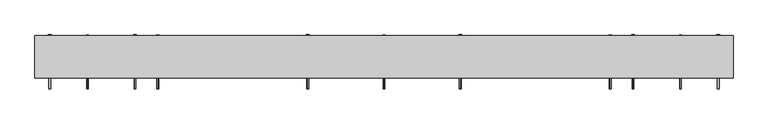
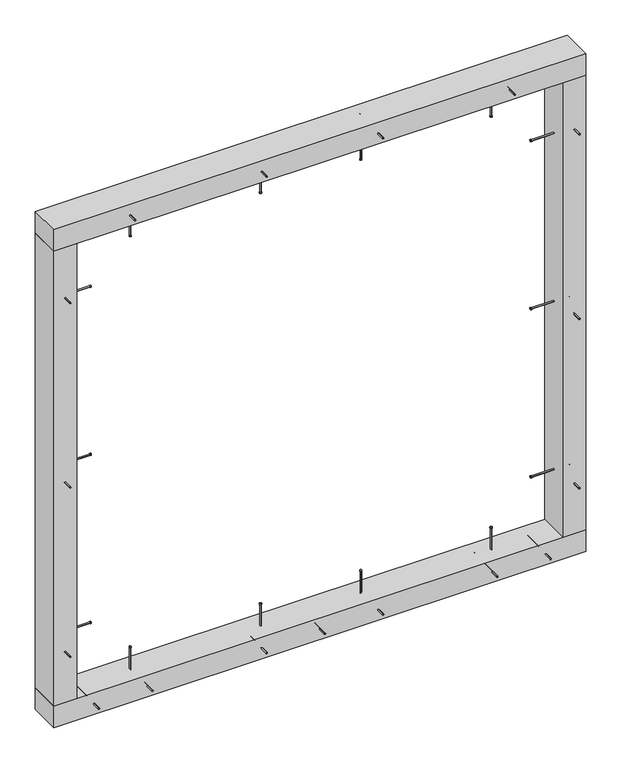
"""IFC4 building model written with IfcOpenShell, lengths in millimetres: proxy geometry."""

from ifc_helpers import new_model, si_unit, point, frame, frame_2d, origin, origin_with_axes, place, context, project, spatial, polyline, circle_curve, trimmed, segment, composite_curve, outline, extrude, source, transform, mapped, element, save


def generic_models_a547f7b6(model_context):
    return source(origin(), model_context, "Body", "SweptSolid", [
        extrude(outline(composite_curve([segment(trimmed(circle_curve(frame_2d((-550.0, 215.0)), 2.4700592), [point((-550.0, 212.5299408))], [point((-550.0, 217.4700592))], False, "CARTESIAN"), True, "CONTINUOUS"), segment(trimmed(circle_curve(frame_2d((-550.0, 215.0)), 2.4700592), [point((-550.0, 217.4700592))], [point((-550.0, 212.5299408))], False, "CARTESIAN"), True, "CONTINUOUS")], self_intersect=False)), frame((0.0, 0.0, 1800.0), z_axis=(0.0, 0.0, 1.0), x_axis=(1.0, 0.0, 0.0)), (0.0, 0.0, 1.0), 145.0),
        extrude(outline(composite_curve([segment(trimmed(circle_curve(frame_2d((-550.0, 215.0)), 3.8), [point((-550.0, 211.2))], [point((-550.0, 218.8))], False, "CARTESIAN"), True, "CONTINUOUS"), segment(trimmed(circle_curve(frame_2d((-550.0, 215.0)), 3.8), [point((-550.0, 218.8))], [point((-550.0, 211.2))], False, "CARTESIAN"), True, "CONTINUOUS")], self_intersect=False)), frame((0.0, 0.0, 1797.0), z_axis=(0.0, 0.0, 1.0), x_axis=(1.0, 0.0, 0.0)), (0.0, 0.0, 1.0), 3.0),
        extrude(outline(composite_curve([segment(trimmed(circle_curve(frame_2d((800.0, 215.0)), 2.4700592), [point((800.0, 212.5299408))], [point((800.0, 217.4700592))], False, "CARTESIAN"), True, "CONTINUOUS"), segment(trimmed(circle_curve(frame_2d((800.0, 215.0)), 2.4700592), [point((800.0, 217.4700592))], [point((800.0, 212.5299408))], False, "CARTESIAN"), True, "CONTINUOUS")], self_intersect=False)), frame((0.0, 0.0, 1800.0), z_axis=(0.0, 0.0, 1.0), x_axis=(1.0, 0.0, 0.0)), (0.0, 0.0, 1.0), 145.0),
        extrude(outline(composite_curve([segment(trimmed(circle_curve(frame_2d((800.0, 215.0)), 3.8), [point((800.0, 211.2))], [point((800.0, 218.8))], False, "CARTESIAN"), True, "CONTINUOUS"), segment(trimmed(circle_curve(frame_2d((800.0, 215.0)), 3.8), [point((800.0, 218.8))], [point((800.0, 211.2))], False, "CARTESIAN"), True, "CONTINUOUS")], self_intersect=False)), frame((0.0, 0.0, 1797.0), z_axis=(0.0, 0.0, 1.0), x_axis=(1.0, 0.0, 0.0)), (0.0, 0.0, 1.0), 3.0),
        extrude(outline(composite_curve([segment(trimmed(circle_curve(frame_2d((1927.5, 342.5)), 2.4700592), [point((1929.9700592, 342.5))], [point((1925.0299408, 342.5))], False, "CARTESIAN"), True, "CONTINUOUS"), segment(trimmed(circle_curve(frame_2d((1927.5, 342.5)), 2.4700592), [point((1925.0299408, 342.5))], [point((1929.9700592, 342.5))], False, "CARTESIAN"), True, "CONTINUOUS")], self_intersect=False)), frame((0.0, 123.0, 0.0), z_axis=(0.0, 1.0, 0.0), x_axis=(0.0, 0.0, 1.0)), (0.0, 0.0, 1.0), 152.0),
        extrude(outline(composite_curve([segment(trimmed(circle_curve(frame_2d((1927.5, 342.5)), 3.8), [point((1931.3, 342.5))], [point((1923.7, 342.5))], False, "CARTESIAN"), True, "CONTINUOUS"), segment(trimmed(circle_curve(frame_2d((1927.5, 342.5)), 3.8), [point((1923.7, 342.5))], [point((1931.3, 342.5))], False, "CARTESIAN"), True, "CONTINUOUS")], self_intersect=False)), frame((0.0, 275.0, 0.0), z_axis=(0.0, 1.0, 0.0), x_axis=(0.0, 0.0, 1.0)), (0.0, 0.0, 1.0), 3.0),
        extrude(outline(composite_curve([segment(trimmed(circle_curve(frame_2d((312.5, 215.0)), 2.4700592), [point((312.5, 212.5299408))], [point((312.5, 217.4700592))], False, "CARTESIAN"), True, "CONTINUOUS"), segment(trimmed(circle_curve(frame_2d((312.5, 215.0)), 2.4700592), [point((312.5, 217.4700592))], [point((312.5, 212.5299408))], False, "CARTESIAN"), True, "CONTINUOUS")], self_intersect=False)), frame((0.0, 0.0, 1800.0), z_axis=(0.0, 0.0, 1.0), x_axis=(1.0, 0.0, 0.0)), (0.0, 0.0, 1.0), 145.0),
        extrude(outline(composite_curve([segment(trimmed(circle_curve(frame_2d((312.5, 215.0)), 3.8), [point((312.5, 211.2))], [point((312.5, 218.8))], False, "CARTESIAN"), True, "CONTINUOUS"), segment(trimmed(circle_curve(frame_2d((312.5, 215.0)), 3.8), [point((312.5, 218.8))], [point((312.5, 211.2))], False, "CARTESIAN"), True, "CONTINUOUS")], self_intersect=False)), frame((0.0, 0.0, 1797.0), z_axis=(0.0, 0.0, 1.0), x_axis=(1.0, 0.0, 0.0)), (0.0, 0.0, 1.0), 3.0),
        extrude(outline(composite_curve([segment(trimmed(circle_curve(frame_2d((1927.5, -92.5)), 2.4700592), [point((1929.9700592, -92.5))], [point((1925.0299408, -92.5))], False, "CARTESIAN"), True, "CONTINUOUS"), segment(trimmed(circle_curve(frame_2d((1927.5, -92.5)), 2.4700592), [point((1925.0299408, -92.5))], [point((1929.9700592, -92.5))], False, "CARTESIAN"), True, "CONTINUOUS")], self_intersect=False)), frame((0.0, 123.0, 0.0), z_axis=(0.0, 1.0, 0.0), x_axis=(0.0, 0.0, 1.0)), (0.0, 0.0, 1.0), 152.0),
        extrude(outline(composite_curve([segment(trimmed(circle_curve(frame_2d((1927.5, -92.5)), 3.8), [point((1931.3, -92.5))], [point((1923.7, -92.5))], False, "CARTESIAN"), True, "CONTINUOUS"), segment(trimmed(circle_curve(frame_2d((1927.5, -92.5)), 3.8), [point((1923.7, -92.5))], [point((1931.3, -92.5))], False, "CARTESIAN"), True, "CONTINUOUS")], self_intersect=False)), frame((0.0, 275.0, 0.0), z_axis=(0.0, 1.0, 0.0), x_axis=(0.0, 0.0, 1.0)), (0.0, 0.0, 1.0), 3.0),
        extrude(outline(composite_curve([segment(trimmed(circle_curve(frame_2d((-62.5, 215.0)), 2.4700592), [point((-62.5, 212.5299408))], [point((-62.5, 217.4700592))], False, "CARTESIAN"), True, "CONTINUOUS"), segment(trimmed(circle_curve(frame_2d((-62.5, 215.0)), 2.4700592), [point((-62.5, 217.4700592))], [point((-62.5, 212.5299408))], False, "CARTESIAN"), True, "CONTINUOUS")], self_intersect=False)), frame((0.0, 0.0, 1800.0), z_axis=(0.0, 0.0, 1.0), x_axis=(1.0, 0.0, 0.0)), (0.0, 0.0, 1.0), 145.0),
        extrude(outline(composite_curve([segment(trimmed(circle_curve(frame_2d((-62.5, 215.0)), 3.8), [point((-62.5, 211.2))], [point((-62.5, 218.8))], False, "CARTESIAN"), True, "CONTINUOUS"), segment(trimmed(circle_curve(frame_2d((-62.5, 215.0)), 3.8), [point((-62.5, 218.8))], [point((-62.5, 211.2))], False, "CARTESIAN"), True, "CONTINUOUS")], self_intersect=False)), frame((0.0, 0.0, 1797.0), z_axis=(0.0, 0.0, 1.0), x_axis=(1.0, 0.0, 0.0)), (0.0, 0.0, 1.0), 3.0),
        extrude(outline(composite_curve([segment(trimmed(circle_curve(frame_2d((1927.5, -585.0)), 2.4700592), [point((1929.9700592, -585.0))], [point((1925.0299408, -585.0))], False, "CARTESIAN"), True, "CONTINUOUS"), segment(trimmed(circle_curve(frame_2d((1927.5, -585.0)), 2.4700592), [point((1925.0299408, -585.0))], [point((1929.9700592, -585.0))], False, "CARTESIAN"), True, "CONTINUOUS")], self_intersect=False)), frame((0.0, 123.0, 0.0), z_axis=(0.0, 1.0, 0.0), x_axis=(0.0, 0.0, 1.0)), (0.0, 0.0, 1.0), 152.0),
        extrude(outline(composite_curve([segment(trimmed(circle_curve(frame_2d((1927.5, -585.0)), 3.8), [point((1931.3, -585.0))], [point((1923.7, -585.0))], False, "CARTESIAN"), True, "CONTINUOUS"), segment(trimmed(circle_curve(frame_2d((1927.5, -585.0)), 3.8), [point((1923.7, -585.0))], [point((1931.3, -585.0))], False, "CARTESIAN"), True, "CONTINUOUS")], self_intersect=False)), frame((0.0, 275.0, 0.0), z_axis=(0.0, 1.0, 0.0), x_axis=(0.0, 0.0, 1.0)), (0.0, 0.0, 1.0), 3.0),
        extrude(outline(composite_curve([segment(trimmed(circle_curve(frame_2d((1927.5, 835.0)), 2.4700592), [point((1929.9700592, 835.0))], [point((1925.0299408, 835.0))], False, "CARTESIAN"), True, "CONTINUOUS"), segment(trimmed(circle_curve(frame_2d((1927.5, 835.0)), 2.4700592), [point((1925.0299408, 835.0))], [point((1929.9700592, 835.0))], False, "CARTESIAN"), True, "CONTINUOUS")], self_intersect=False)), frame((0.0, 123.0, 0.0), z_axis=(0.0, 1.0, 0.0), x_axis=(0.0, 0.0, 1.0)), (0.0, 0.0, 1.0), 152.0),
        extrude(outline(composite_curve([segment(trimmed(circle_curve(frame_2d((1927.5, 835.0)), 3.8), [point((1931.3, 835.0))], [point((1923.7, 835.0))], False, "CARTESIAN"), True, "CONTINUOUS"), segment(trimmed(circle_curve(frame_2d((1927.5, 835.0)), 3.8), [point((1923.7, 835.0))], [point((1931.3, 835.0))], False, "CARTESIAN"), True, "CONTINUOUS")], self_intersect=False)), frame((0.0, 275.0, 0.0), z_axis=(0.0, 1.0, 0.0), x_axis=(0.0, 0.0, 1.0)), (0.0, 0.0, 1.0), 3.0),
        extrude(outline(polyline([(1120.0, 155.0), (-870.0, 155.0), (-870.0, 275.0), (1120.0, 275.0), (1120.0, 155.0)])), frame((0.0, 0.0, 1885.0), z_axis=(0.0, 0.0, 1.0), x_axis=(1.0, 0.0, 0.0)), (0.0, 0.0, 1.0), 85.0),
        extrude(outline(composite_curve([segment(trimmed(circle_curve(frame_2d((42.5, -520.0)), 2.4700592), [point((44.9700592, -520.0))], [point((40.0299408, -520.0))], False, "CARTESIAN"), True, "CONTINUOUS"), segment(trimmed(circle_curve(frame_2d((42.5, -520.0)), 2.4700592), [point((40.0299408, -520.0))], [point((44.9700592, -520.0))], False, "CARTESIAN"), True, "CONTINUOUS")], self_intersect=False)), frame((0.0, 123.0, 0.0), z_axis=(0.0, 1.0, 0.0), x_axis=(0.0, 0.0, 1.0)), (0.0, 0.0, 1.0), 152.0),
        extrude(outline(composite_curve([segment(trimmed(circle_curve(frame_2d((42.5, -520.0)), 3.8), [point((46.3, -520.0))], [point((38.7, -520.0))], False, "CARTESIAN"), True, "CONTINUOUS"), segment(trimmed(circle_curve(frame_2d((42.5, -520.0)), 3.8), [point((38.7, -520.0))], [point((46.3, -520.0))], False, "CARTESIAN"), True, "CONTINUOUS")], self_intersect=False)), frame((0.0, 275.0, 0.0), z_axis=(0.0, 1.0, 0.0), x_axis=(0.0, 0.0, 1.0)), (0.0, 0.0, 1.0), 3.0),
        extrude(outline(composite_curve([segment(trimmed(circle_curve(frame_2d((-550.0, 215.0)), 2.4700592), [point((-550.0, 212.5299408))], [point((-550.0, 217.4700592))], False, "CARTESIAN"), True, "CONTINUOUS"), segment(trimmed(circle_curve(frame_2d((-550.0, 215.0)), 2.4700592), [point((-550.0, 217.4700592))], [point((-550.0, 212.5299408))], False, "CARTESIAN"), True, "CONTINUOUS")], self_intersect=False)), frame((0.0, 0.0, 25.0), z_axis=(0.0, 0.0, 1.0), x_axis=(1.0, 0.0, 0.0)), (0.0, 0.0, 1.0), 145.0),
        extrude(outline(composite_curve([segment(trimmed(circle_curve(frame_2d((-550.0, 215.0)), 3.8), [point((-550.0, 211.2))], [point((-550.0, 218.8))], False, "CARTESIAN"), True, "CONTINUOUS"), segment(trimmed(circle_curve(frame_2d((-550.0, 215.0)), 3.8), [point((-550.0, 218.8))], [point((-550.0, 211.2))], False, "CARTESIAN"), True, "CONTINUOUS")], self_intersect=False)), frame((0.0, 0.0, 170.0), z_axis=(0.0, 0.0, 1.0), x_axis=(1.0, 0.0, 0.0)), (0.0, 0.0, 1.0), 3.0),
        extrude(outline(composite_curve([segment(trimmed(circle_curve(frame_2d((42.5, -92.5)), 2.4700592), [point((44.9700592, -92.5))], [point((40.0299408, -92.5))], False, "CARTESIAN"), True, "CONTINUOUS"), segment(trimmed(circle_curve(frame_2d((42.5, -92.5)), 2.4700592), [point((40.0299408, -92.5))], [point((44.9700592, -92.5))], False, "CARTESIAN"), True, "CONTINUOUS")], self_intersect=False)), frame((0.0, 123.0, 0.0), z_axis=(0.0, 1.0, 0.0), x_axis=(0.0, 0.0, 1.0)), (0.0, 0.0, 1.0), 152.0),
        extrude(outline(composite_curve([segment(trimmed(circle_curve(frame_2d((42.5, -92.5)), 3.8), [point((46.3, -92.5))], [point((38.7, -92.5))], False, "CARTESIAN"), True, "CONTINUOUS"), segment(trimmed(circle_curve(frame_2d((42.5, -92.5)), 3.8), [point((38.7, -92.5))], [point((46.3, -92.5))], False, "CARTESIAN"), True, "CONTINUOUS")], self_intersect=False)), frame((0.0, 275.0, 0.0), z_axis=(0.0, 1.0, 0.0), x_axis=(0.0, 0.0, 1.0)), (0.0, 0.0, 1.0), 3.0),
        extrude(outline(composite_curve([segment(trimmed(circle_curve(frame_2d((-62.5, 215.0)), 2.4700592), [point((-62.5, 212.5299408))], [point((-62.5, 217.4700592))], False, "CARTESIAN"), True, "CONTINUOUS"), segment(trimmed(circle_curve(frame_2d((-62.5, 215.0)), 2.4700592), [point((-62.5, 217.4700592))], [point((-62.5, 212.5299408))], False, "CARTESIAN"), True, "CONTINUOUS")], self_intersect=False)), frame((0.0, 0.0, 25.0), z_axis=(0.0, 0.0, 1.0), x_axis=(1.0, 0.0, 0.0)), (0.0, 0.0, 1.0), 145.0),
        extrude(outline(composite_curve([segment(trimmed(circle_curve(frame_2d((-62.5, 215.0)), 3.8), [point((-62.5, 211.2))], [point((-62.5, 218.8))], False, "CARTESIAN"), True, "CONTINUOUS"), segment(trimmed(circle_curve(frame_2d((-62.5, 215.0)), 3.8), [point((-62.5, 218.8))], [point((-62.5, 211.2))], False, "CARTESIAN"), True, "CONTINUOUS")], self_intersect=False)), frame((0.0, 0.0, 170.0), z_axis=(0.0, 0.0, 1.0), x_axis=(1.0, 0.0, 0.0)), (0.0, 0.0, 1.0), 3.0),
        extrude(outline(composite_curve([segment(trimmed(circle_curve(frame_2d((42.5, 770.0)), 2.4700592), [point((44.9700592, 770.0))], [point((40.0299408, 770.0))], False, "CARTESIAN"), True, "CONTINUOUS"), segment(trimmed(circle_curve(frame_2d((42.5, 770.0)), 2.4700592), [point((40.0299408, 770.0))], [point((44.9700592, 770.0))], False, "CARTESIAN"), True, "CONTINUOUS")], self_intersect=False)), frame((0.0, 123.0, 0.0), z_axis=(0.0, 1.0, 0.0), x_axis=(0.0, 0.0, 1.0)), (0.0, 0.0, 1.0), 152.0),
        extrude(outline(composite_curve([segment(trimmed(circle_curve(frame_2d((42.5, 770.0)), 3.8), [point((46.3, 770.0))], [point((38.7, 770.0))], False, "CARTESIAN"), True, "CONTINUOUS"), segment(trimmed(circle_curve(frame_2d((42.5, 770.0)), 3.8), [point((38.7, 770.0))], [point((46.3, 770.0))], False, "CARTESIAN"), True, "CONTINUOUS")], self_intersect=False)), frame((0.0, 275.0, 0.0), z_axis=(0.0, 1.0, 0.0), x_axis=(0.0, 0.0, 1.0)), (0.0, 0.0, 1.0), 3.0),
        extrude(outline(composite_curve([segment(trimmed(circle_curve(frame_2d((800.0, 215.0)), 2.4700592), [point((800.0, 212.5299408))], [point((800.0, 217.4700592))], False, "CARTESIAN"), True, "CONTINUOUS"), segment(trimmed(circle_curve(frame_2d((800.0, 215.0)), 2.4700592), [point((800.0, 217.4700592))], [point((800.0, 212.5299408))], False, "CARTESIAN"), True, "CONTINUOUS")], self_intersect=False)), frame((0.0, 0.0, 25.0), z_axis=(0.0, 0.0, 1.0), x_axis=(1.0, 0.0, 0.0)), (0.0, 0.0, 1.0), 145.0),
        extrude(outline(composite_curve([segment(trimmed(circle_curve(frame_2d((800.0, 215.0)), 3.8), [point((800.0, 211.2))], [point((800.0, 218.8))], False, "CARTESIAN"), True, "CONTINUOUS"), segment(trimmed(circle_curve(frame_2d((800.0, 215.0)), 3.8), [point((800.0, 218.8))], [point((800.0, 211.2))], False, "CARTESIAN"), True, "CONTINUOUS")], self_intersect=False)), frame((0.0, 0.0, 170.0), z_axis=(0.0, 0.0, 1.0), x_axis=(1.0, 0.0, 0.0)), (0.0, 0.0, 1.0), 3.0),
        extrude(outline(composite_curve([segment(trimmed(circle_curve(frame_2d((42.5, 342.5)), 2.4700592), [point((44.9700592, 342.5))], [point((40.0299408, 342.5))], False, "CARTESIAN"), True, "CONTINUOUS"), segment(trimmed(circle_curve(frame_2d((42.5, 342.5)), 2.4700592), [point((40.0299408, 342.5))], [point((44.9700592, 342.5))], False, "CARTESIAN"), True, "CONTINUOUS")], self_intersect=False)), frame((0.0, 123.0, 0.0), z_axis=(0.0, 1.0, 0.0), x_axis=(0.0, 0.0, 1.0)), (0.0, 0.0, 1.0), 152.0),
        extrude(outline(composite_curve([segment(trimmed(circle_curve(frame_2d((42.5, 342.5)), 3.8), [point((46.3, 342.5))], [point((38.7, 342.5))], False, "CARTESIAN"), True, "CONTINUOUS"), segment(trimmed(circle_curve(frame_2d((42.5, 342.5)), 3.8), [point((38.7, 342.5))], [point((46.3, 342.5))], False, "CARTESIAN"), True, "CONTINUOUS")], self_intersect=False)), frame((0.0, 275.0, 0.0), z_axis=(0.0, 1.0, 0.0), x_axis=(0.0, 0.0, 1.0)), (0.0, 0.0, 1.0), 3.0),
        extrude(outline(composite_curve([segment(trimmed(circle_curve(frame_2d((312.5, 215.0)), 2.4700592), [point((312.5, 212.5299408))], [point((312.5, 217.4700592))], False, "CARTESIAN"), True, "CONTINUOUS"), segment(trimmed(circle_curve(frame_2d((312.5, 215.0)), 2.4700592), [point((312.5, 217.4700592))], [point((312.5, 212.5299408))], False, "CARTESIAN"), True, "CONTINUOUS")], self_intersect=False)), frame((0.0, 0.0, 25.0), z_axis=(0.0, 0.0, 1.0), x_axis=(1.0, 0.0, 0.0)), (0.0, 0.0, 1.0), 145.0),
        extrude(outline(composite_curve([segment(trimmed(circle_curve(frame_2d((312.5, 215.0)), 3.8), [point((312.5, 211.2))], [point((312.5, 218.8))], False, "CARTESIAN"), True, "CONTINUOUS"), segment(trimmed(circle_curve(frame_2d((312.5, 215.0)), 3.8), [point((312.5, 218.8))], [point((312.5, 211.2))], False, "CARTESIAN"), True, "CONTINUOUS")], self_intersect=False)), frame((0.0, 0.0, 170.0), z_axis=(0.0, 0.0, 1.0), x_axis=(1.0, 0.0, 0.0)), (0.0, 0.0, 1.0), 3.0),
        extrude(outline(composite_curve([segment(trimmed(circle_curve(frame_2d((42.5, 125.0)), 2.4700592), [point((44.9700592, 125.0))], [point((40.0299408, 125.0))], False, "CARTESIAN"), True, "CONTINUOUS"), segment(trimmed(circle_curve(frame_2d((42.5, 125.0)), 2.4700592), [point((40.0299408, 125.0))], [point((44.9700592, 125.0))], False, "CARTESIAN"), True, "CONTINUOUS")], self_intersect=False)), frame((0.0, 123.0, 0.0), z_axis=(0.0, 1.0, 0.0), x_axis=(0.0, 0.0, 1.0)), (0.0, 0.0, 1.0), 152.0),
        extrude(outline(composite_curve([segment(trimmed(circle_curve(frame_2d((42.5, 125.0)), 3.8), [point((46.3, 125.0))], [point((38.7, 125.0))], False, "CARTESIAN"), True, "CONTINUOUS"), segment(trimmed(circle_curve(frame_2d((42.5, 125.0)), 3.8), [point((38.7, 125.0))], [point((46.3, 125.0))], False, "CARTESIAN"), True, "CONTINUOUS")], self_intersect=False)), frame((0.0, 275.0, 0.0), z_axis=(0.0, 1.0, 0.0), x_axis=(0.0, 0.0, 1.0)), (0.0, 0.0, 1.0), 3.0),
        extrude(outline(composite_curve([segment(trimmed(circle_curve(frame_2d((42.5, -720.0)), 2.4700592), [point((44.9700592, -720.0))], [point((40.0299408, -720.0))], False, "CARTESIAN"), True, "CONTINUOUS"), segment(trimmed(circle_curve(frame_2d((42.5, -720.0)), 2.4700592), [point((40.0299408, -720.0))], [point((44.9700592, -720.0))], False, "CARTESIAN"), True, "CONTINUOUS")], self_intersect=False)), frame((0.0, 123.0, 0.0), z_axis=(0.0, 1.0, 0.0), x_axis=(0.0, 0.0, 1.0)), (0.0, 0.0, 1.0), 152.0),
        extrude(outline(composite_curve([segment(trimmed(circle_curve(frame_2d((42.5, -720.0)), 3.8), [point((46.3, -720.0))], [point((38.7, -720.0))], False, "CARTESIAN"), True, "CONTINUOUS"), segment(trimmed(circle_curve(frame_2d((42.5, -720.0)), 3.8), [point((38.7, -720.0))], [point((46.3, -720.0))], False, "CARTESIAN"), True, "CONTINUOUS")], self_intersect=False)), frame((0.0, 275.0, 0.0), z_axis=(0.0, 1.0, 0.0), x_axis=(0.0, 0.0, 1.0)), (0.0, 0.0, 1.0), 3.0),
        extrude(outline(composite_curve([segment(trimmed(circle_curve(frame_2d((42.5, 970.0)), 2.4700592), [point((44.9700592, 970.0))], [point((40.0299408, 970.0))], False, "CARTESIAN"), True, "CONTINUOUS"), segment(trimmed(circle_curve(frame_2d((42.5, 970.0)), 2.4700592), [point((40.0299408, 970.0))], [point((44.9700592, 970.0))], False, "CARTESIAN"), True, "CONTINUOUS")], self_intersect=False)), frame((0.0, 123.0, 0.0), z_axis=(0.0, 1.0, 0.0), x_axis=(0.0, 0.0, 1.0)), (0.0, 0.0, 1.0), 152.0),
        extrude(outline(composite_curve([segment(trimmed(circle_curve(frame_2d((42.5, 970.0)), 3.8), [point((46.3, 970.0))], [point((38.7, 970.0))], False, "CARTESIAN"), True, "CONTINUOUS"), segment(trimmed(circle_curve(frame_2d((42.5, 970.0)), 3.8), [point((38.7, 970.0))], [point((46.3, 970.0))], False, "CARTESIAN"), True, "CONTINUOUS")], self_intersect=False)), frame((0.0, 275.0, 0.0), z_axis=(0.0, 1.0, 0.0), x_axis=(0.0, 0.0, 1.0)), (0.0, 0.0, 1.0), 3.0),
        extrude(outline(polyline([(1120.0, 155.0), (-870.0, 155.0), (-870.0, 275.0), (1120.0, 275.0), (1120.0, 155.0)])), origin_with_axes(), (0.0, 0.0, 1.0), 85.0),
        extrude(outline(composite_curve([segment(trimmed(circle_curve(frame_2d((215.0, 320.0)), 2.4700592), [point((212.5299408, 320.0))], [point((217.4700592, 320.0))], False, "CARTESIAN"), True, "CONTINUOUS"), segment(trimmed(circle_curve(frame_2d((215.0, 320.0)), 2.4700592), [point((217.4700592, 320.0))], [point((212.5299408, 320.0))], False, "CARTESIAN"), True, "CONTINUOUS")], self_intersect=False)), frame((-845.0, 0.0, 0.0), z_axis=(1.0, 0.0, 0.0), x_axis=(0.0, 1.0, 0.0)), (0.0, 0.0, 1.0), 145.0),
        extrude(outline(composite_curve([segment(trimmed(circle_curve(frame_2d((215.0, 320.0)), 3.8), [point((211.2, 320.0))], [point((218.8, 320.0))], False, "CARTESIAN"), True, "CONTINUOUS"), segment(trimmed(circle_curve(frame_2d((215.0, 320.0)), 3.8), [point((218.8, 320.0))], [point((211.2, 320.0))], False, "CARTESIAN"), True, "CONTINUOUS")], self_intersect=False)), frame((-700.0, 0.0, 0.0), z_axis=(1.0, 0.0, 0.0), x_axis=(0.0, 1.0, 0.0)), (0.0, 0.0, 1.0), 3.0),
        extrude(outline(composite_curve([segment(trimmed(circle_curve(frame_2d((215.0, 1650.0)), 2.4700592), [point((212.5299408, 1650.0))], [point((217.4700592, 1650.0))], False, "CARTESIAN"), True, "CONTINUOUS"), segment(trimmed(circle_curve(frame_2d((215.0, 1650.0)), 2.4700592), [point((217.4700592, 1650.0))], [point((212.5299408, 1650.0))], False, "CARTESIAN"), True, "CONTINUOUS")], self_intersect=False)), frame((-845.0, 0.0, 0.0), z_axis=(1.0, 0.0, 0.0), x_axis=(0.0, 1.0, 0.0)), (0.0, 0.0, 1.0), 145.0),
        extrude(outline(composite_curve([segment(trimmed(circle_curve(frame_2d((215.0, 1650.0)), 3.8), [point((211.2, 1650.0))], [point((218.8, 1650.0))], False, "CARTESIAN"), True, "CONTINUOUS"), segment(trimmed(circle_curve(frame_2d((215.0, 1650.0)), 3.8), [point((218.8, 1650.0))], [point((211.2, 1650.0))], False, "CARTESIAN"), True, "CONTINUOUS")], self_intersect=False)), frame((-700.0, 0.0, 0.0), z_axis=(1.0, 0.0, 0.0), x_axis=(0.0, 1.0, 0.0)), (0.0, 0.0, 1.0), 3.0),
        extrude(outline(composite_curve([segment(trimmed(circle_curve(frame_2d((955.0, -827.5)), 2.4700592), [point((955.0, -829.9700592))], [point((955.0, -825.0299408))], False, "CARTESIAN"), True, "CONTINUOUS"), segment(trimmed(circle_curve(frame_2d((955.0, -827.5)), 2.4700592), [point((955.0, -825.0299408))], [point((955.0, -829.9700592))], False, "CARTESIAN"), True, "CONTINUOUS")], self_intersect=False)), frame((0.0, 123.0, 0.0), z_axis=(0.0, 1.0, 0.0), x_axis=(0.0, 0.0, 1.0)), (0.0, 0.0, 1.0), 152.0),
        extrude(outline(composite_curve([segment(trimmed(circle_curve(frame_2d((955.0, -827.5)), 3.8), [point((955.0, -831.3))], [point((955.0, -823.7))], False, "CARTESIAN"), True, "CONTINUOUS"), segment(trimmed(circle_curve(frame_2d((955.0, -827.5)), 3.8), [point((955.0, -823.7))], [point((955.0, -831.3))], False, "CARTESIAN"), True, "CONTINUOUS")], self_intersect=False)), frame((0.0, 275.0, 0.0), z_axis=(0.0, 1.0, 0.0), x_axis=(0.0, 0.0, 1.0)), (0.0, 0.0, 1.0), 3.0),
        extrude(outline(composite_curve([segment(trimmed(circle_curve(frame_2d((215.0, 985.0)), 2.4700592), [point((212.5299408, 985.0))], [point((217.4700592, 985.0))], False, "CARTESIAN"), True, "CONTINUOUS"), segment(trimmed(circle_curve(frame_2d((215.0, 985.0)), 2.4700592), [point((217.4700592, 985.0))], [point((212.5299408, 985.0))], False, "CARTESIAN"), True, "CONTINUOUS")], self_intersect=False)), frame((-845.0, 0.0, 0.0), z_axis=(1.0, 0.0, 0.0), x_axis=(0.0, 1.0, 0.0)), (0.0, 0.0, 1.0), 145.0),
        extrude(outline(composite_curve([segment(trimmed(circle_curve(frame_2d((215.0, 985.0)), 3.8), [point((211.2, 985.0))], [point((218.8, 985.0))], False, "CARTESIAN"), True, "CONTINUOUS"), segment(trimmed(circle_curve(frame_2d((215.0, 985.0)), 3.8), [point((218.8, 985.0))], [point((211.2, 985.0))], False, "CARTESIAN"), True, "CONTINUOUS")], self_intersect=False)), frame((-700.0, 0.0, 0.0), z_axis=(1.0, 0.0, 0.0), x_axis=(0.0, 1.0, 0.0)), (0.0, 0.0, 1.0), 3.0),
        extrude(outline(composite_curve([segment(trimmed(circle_curve(frame_2d((1685.0, -827.5)), 2.4700592), [point((1685.0, -829.9700592))], [point((1685.0, -825.0299408))], False, "CARTESIAN"), True, "CONTINUOUS"), segment(trimmed(circle_curve(frame_2d((1685.0, -827.5)), 2.4700592), [point((1685.0, -825.0299408))], [point((1685.0, -829.9700592))], False, "CARTESIAN"), True, "CONTINUOUS")], self_intersect=False)), frame((0.0, 123.0, 0.0), z_axis=(0.0, 1.0, 0.0), x_axis=(0.0, 0.0, 1.0)), (0.0, 0.0, 1.0), 152.0),
        extrude(outline(composite_curve([segment(trimmed(circle_curve(frame_2d((1685.0, -827.5)), 3.8), [point((1685.0, -831.3))], [point((1685.0, -823.7))], False, "CARTESIAN"), True, "CONTINUOUS"), segment(trimmed(circle_curve(frame_2d((1685.0, -827.5)), 3.8), [point((1685.0, -823.7))], [point((1685.0, -831.3))], False, "CARTESIAN"), True, "CONTINUOUS")], self_intersect=False)), frame((0.0, 275.0, 0.0), z_axis=(0.0, 1.0, 0.0), x_axis=(0.0, 0.0, 1.0)), (0.0, 0.0, 1.0), 3.0),
        extrude(outline(composite_curve([segment(trimmed(circle_curve(frame_2d((285.0, -827.5)), 2.4700592), [point((285.0, -829.9700592))], [point((285.0, -825.0299408))], False, "CARTESIAN"), True, "CONTINUOUS"), segment(trimmed(circle_curve(frame_2d((285.0, -827.5)), 2.4700592), [point((285.0, -825.0299408))], [point((285.0, -829.9700592))], False, "CARTESIAN"), True, "CONTINUOUS")], self_intersect=False)), frame((0.0, 123.0, 0.0), z_axis=(0.0, 1.0, 0.0), x_axis=(0.0, 0.0, 1.0)), (0.0, 0.0, 1.0), 152.0),
        extrude(outline(composite_curve([segment(trimmed(circle_curve(frame_2d((285.0, -827.5)), 3.8), [point((285.0, -831.3))], [point((285.0, -823.7))], False, "CARTESIAN"), True, "CONTINUOUS"), segment(trimmed(circle_curve(frame_2d((285.0, -827.5)), 3.8), [point((285.0, -823.7))], [point((285.0, -831.3))], False, "CARTESIAN"), True, "CONTINUOUS")], self_intersect=False)), frame((0.0, 275.0, 0.0), z_axis=(0.0, 1.0, 0.0), x_axis=(0.0, 0.0, 1.0)), (0.0, 0.0, 1.0), 3.0),
        extrude(outline(polyline([(-870.0, 155.0), (-870.0, 275.0), (-785.0, 275.0), (-785.0, 155.0), (-870.0, 155.0)])), frame((0.0, 0.0, 85.0), z_axis=(0.0, 0.0, 1.0), x_axis=(1.0, 0.0, 0.0)), (0.0, 0.0, 1.0), 1800.0),
        extrude(outline(composite_curve([segment(trimmed(circle_curve(frame_2d((215.0, 320.0)), 2.4700592), [point((212.5299408, 320.0))], [point((217.4700592, 320.0))], False, "CARTESIAN"), True, "CONTINUOUS"), segment(trimmed(circle_curve(frame_2d((215.0, 320.0)), 2.4700592), [point((217.4700592, 320.0))], [point((212.5299408, 320.0))], False, "CARTESIAN"), True, "CONTINUOUS")], self_intersect=False)), frame((950.0, 0.0, 0.0), z_axis=(1.0, 0.0, 0.0), x_axis=(0.0, 1.0, 0.0)), (0.0, 0.0, 1.0), 145.0),
        extrude(outline(composite_curve([segment(trimmed(circle_curve(frame_2d((215.0, 320.0)), 3.8), [point((211.2, 320.0))], [point((218.8, 320.0))], False, "CARTESIAN"), True, "CONTINUOUS"), segment(trimmed(circle_curve(frame_2d((215.0, 320.0)), 3.8), [point((218.8, 320.0))], [point((211.2, 320.0))], False, "CARTESIAN"), True, "CONTINUOUS")], self_intersect=False)), frame((947.0, 0.0, 0.0), z_axis=(1.0, 0.0, 0.0), x_axis=(0.0, 1.0, 0.0)), (0.0, 0.0, 1.0), 3.0),
        extrude(outline(composite_curve([segment(trimmed(circle_curve(frame_2d((215.0, 1650.0)), 2.4700592), [point((212.5299408, 1650.0))], [point((217.4700592, 1650.0))], False, "CARTESIAN"), True, "CONTINUOUS"), segment(trimmed(circle_curve(frame_2d((215.0, 1650.0)), 2.4700592), [point((217.4700592, 1650.0))], [point((212.5299408, 1650.0))], False, "CARTESIAN"), True, "CONTINUOUS")], self_intersect=False)), frame((950.0, 0.0, 0.0), z_axis=(1.0, 0.0, 0.0), x_axis=(0.0, 1.0, 0.0)), (0.0, 0.0, 1.0), 145.0),
        extrude(outline(composite_curve([segment(trimmed(circle_curve(frame_2d((215.0, 1650.0)), 3.8), [point((211.2, 1650.0))], [point((218.8, 1650.0))], False, "CARTESIAN"), True, "CONTINUOUS"), segment(trimmed(circle_curve(frame_2d((215.0, 1650.0)), 3.8), [point((218.8, 1650.0))], [point((211.2, 1650.0))], False, "CARTESIAN"), True, "CONTINUOUS")], self_intersect=False)), frame((947.0, 0.0, 0.0), z_axis=(1.0, 0.0, 0.0), x_axis=(0.0, 1.0, 0.0)), (0.0, 0.0, 1.0), 3.0),
        extrude(outline(composite_curve([segment(trimmed(circle_curve(frame_2d((955.0, 1077.5)), 2.4700592), [point((955.0, 1079.9700592))], [point((955.0, 1075.0299408))], False, "CARTESIAN"), True, "CONTINUOUS"), segment(trimmed(circle_curve(frame_2d((955.0, 1077.5)), 2.4700592), [point((955.0, 1075.0299408))], [point((955.0, 1079.9700592))], False, "CARTESIAN"), True, "CONTINUOUS")], self_intersect=False)), frame((0.0, 123.0, 0.0), z_axis=(0.0, 1.0, 0.0), x_axis=(0.0, 0.0, 1.0)), (0.0, 0.0, 1.0), 152.0),
        extrude(outline(composite_curve([segment(trimmed(circle_curve(frame_2d((955.0, 1077.5)), 3.8), [point((955.0, 1081.3))], [point((955.0, 1073.7))], False, "CARTESIAN"), True, "CONTINUOUS"), segment(trimmed(circle_curve(frame_2d((955.0, 1077.5)), 3.8), [point((955.0, 1073.7))], [point((955.0, 1081.3))], False, "CARTESIAN"), True, "CONTINUOUS")], self_intersect=False)), frame((0.0, 275.0, 0.0), z_axis=(0.0, 1.0, 0.0), x_axis=(0.0, 0.0, 1.0)), (0.0, 0.0, 1.0), 3.0),
        extrude(outline(composite_curve([segment(trimmed(circle_curve(frame_2d((215.0, 985.0)), 2.4700592), [point((212.5299408, 985.0))], [point((217.4700592, 985.0))], False, "CARTESIAN"), True, "CONTINUOUS"), segment(trimmed(circle_curve(frame_2d((215.0, 985.0)), 2.4700592), [point((217.4700592, 985.0))], [point((212.5299408, 985.0))], False, "CARTESIAN"), True, "CONTINUOUS")], self_intersect=False)), frame((950.0, 0.0, 0.0), z_axis=(1.0, 0.0, 0.0), x_axis=(0.0, 1.0, 0.0)), (0.0, 0.0, 1.0), 145.0),
        extrude(outline(composite_curve([segment(trimmed(circle_curve(frame_2d((215.0, 985.0)), 3.8), [point((211.2, 985.0))], [point((218.8, 985.0))], False, "CARTESIAN"), True, "CONTINUOUS"), segment(trimmed(circle_curve(frame_2d((215.0, 985.0)), 3.8), [point((218.8, 985.0))], [point((211.2, 985.0))], False, "CARTESIAN"), True, "CONTINUOUS")], self_intersect=False)), frame((947.0, 0.0, 0.0), z_axis=(1.0, 0.0, 0.0), x_axis=(0.0, 1.0, 0.0)), (0.0, 0.0, 1.0), 3.0),
        extrude(outline(composite_curve([segment(trimmed(circle_curve(frame_2d((1685.0, 1077.5)), 2.4700592), [point((1685.0, 1079.9700592))], [point((1685.0, 1075.0299408))], False, "CARTESIAN"), True, "CONTINUOUS"), segment(trimmed(circle_curve(frame_2d((1685.0, 1077.5)), 2.4700592), [point((1685.0, 1075.0299408))], [point((1685.0, 1079.9700592))], False, "CARTESIAN"), True, "CONTINUOUS")], self_intersect=False)), frame((0.0, 123.0, 0.0), z_axis=(0.0, 1.0, 0.0), x_axis=(0.0, 0.0, 1.0)), (0.0, 0.0, 1.0), 152.0),
        extrude(outline(composite_curve([segment(trimmed(circle_curve(frame_2d((1685.0, 1077.5)), 3.8), [point((1685.0, 1081.3))], [point((1685.0, 1073.7))], False, "CARTESIAN"), True, "CONTINUOUS"), segment(trimmed(circle_curve(frame_2d((1685.0, 1077.5)), 3.8), [point((1685.0, 1073.7))], [point((1685.0, 1081.3))], False, "CARTESIAN"), True, "CONTINUOUS")], self_intersect=False)), frame((0.0, 275.0, 0.0), z_axis=(0.0, 1.0, 0.0), x_axis=(0.0, 0.0, 1.0)), (0.0, 0.0, 1.0), 3.0),
        extrude(outline(composite_curve([segment(trimmed(circle_curve(frame_2d((285.0, 1077.5)), 2.4700592), [point((285.0, 1079.9700592))], [point((285.0, 1075.0299408))], False, "CARTESIAN"), True, "CONTINUOUS"), segment(trimmed(circle_curve(frame_2d((285.0, 1077.5)), 2.4700592), [point((285.0, 1075.0299408))], [point((285.0, 1079.9700592))], False, "CARTESIAN"), True, "CONTINUOUS")], self_intersect=False)), frame((0.0, 123.0, 0.0), z_axis=(0.0, 1.0, 0.0), x_axis=(0.0, 0.0, 1.0)), (0.0, 0.0, 1.0), 152.0),
        extrude(outline(composite_curve([segment(trimmed(circle_curve(frame_2d((285.0, 1077.5)), 3.8), [point((285.0, 1081.3))], [point((285.0, 1073.7))], False, "CARTESIAN"), True, "CONTINUOUS"), segment(trimmed(circle_curve(frame_2d((285.0, 1077.5)), 3.8), [point((285.0, 1073.7))], [point((285.0, 1081.3))], False, "CARTESIAN"), True, "CONTINUOUS")], self_intersect=False)), frame((0.0, 275.0, 0.0), z_axis=(0.0, 1.0, 0.0), x_axis=(0.0, 0.0, 1.0)), (0.0, 0.0, 1.0), 3.0),
        extrude(outline(polyline([(1120.0, 155.0), (1035.0, 155.0), (1035.0, 275.0), (1120.0, 275.0), (1120.0, 155.0)])), frame((0.0, 0.0, 85.0), z_axis=(0.0, 0.0, 1.0), x_axis=(1.0, 0.0, 0.0)), (0.0, 0.0, 1.0), 1800.0),
    ])


if __name__ == "__main__":
    model = new_model("IFC4")
    model_context = context("Model", 3, world=origin())
    ifc_project = project(units=[si_unit("LENGTHUNIT", "METRE", prefix="MILLI")], contexts=[model_context])
    site = spatial("IfcSite", under=ifc_project)
    building = spatial("IfcBuilding", under=site)
    placement = place(None, origin())
    generic_models_shape = generic_models_a547f7b6(model_context)
    element("IfcBuildingElementProxy", 1, Name="Generic Models", at=placement, inside=building, context=model_context, shape_type="MappedRepresentation", body=[
        mapped(generic_models_shape, transform((0.0, 0.0, 0.0), x_axis=(1.0, 0.0, 0.0), y_axis=(0.0, 1.0, 0.0), z_axis=(0.0, 0.0, 1.0))),
    ])
    save(model, "model.ifc")
